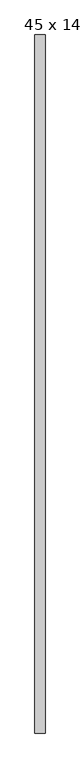
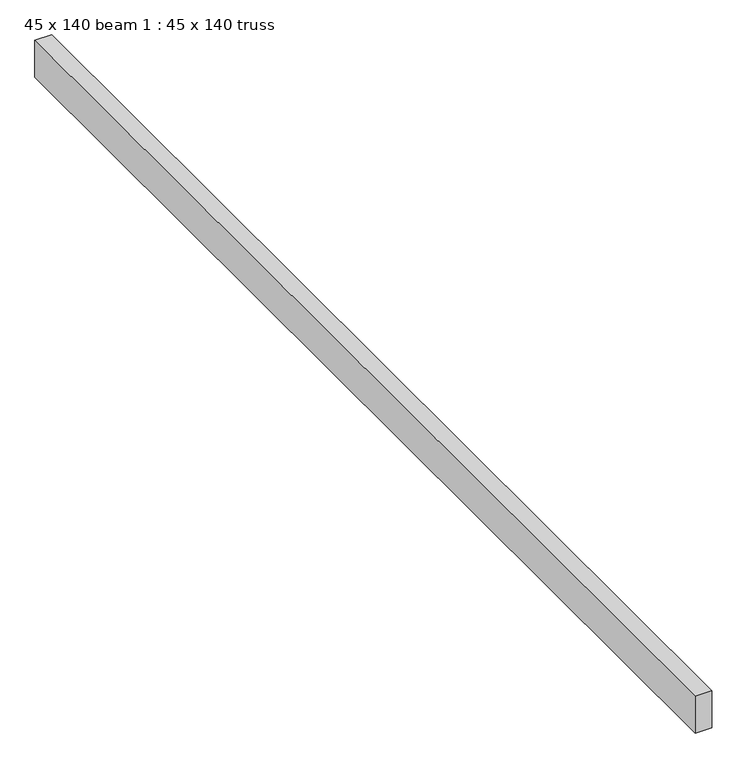
"""IFC4 building model written with IfcOpenShell, lengths in millimetres: proxy geometry, 45 x 140 beam 1 : 45 x 140 truss."""

from ifc_helpers import new_model, si_unit, frame, origin, place, context, project, spatial, polyline, outline, extrude, source, transform, mapped, element, save


def proxy_45_x_140_beam_1_45_x_140_truss_773da076(model_context):
    return source(origin(), model_context, "Body", "SweptSolid", [
        extrude(outline(polyline([(-1185.4274939, -4511.1489417), (-1230.4274939, -4511.1489417), (-1230.4274939, -1421.1489417), (-1185.4274939, -1421.1489417), (-1185.4274939, -4511.1489417)])), frame((0.0, 0.0, 3679.1177703), z_axis=(0.0, 0.0, 1.0), x_axis=(1.0, 0.0, 0.0)), (0.0, 0.0, 1.0), 105.1275103),
    ])


if __name__ == "__main__":
    model = new_model("IFC4")
    model_context = context("Model", 3, world=origin())
    ifc_project = project(units=[si_unit("LENGTHUNIT", "METRE", prefix="MILLI")], contexts=[model_context])
    site = spatial("IfcSite", under=ifc_project)
    building = spatial("IfcBuilding", under=site)
    placement = place(None, origin())
    proxy_45_x_140_beam_1_45_x_140_truss_shape = proxy_45_x_140_beam_1_45_x_140_truss_773da076(model_context)
    element("IfcBuildingElementProxy", 1, Name="45 x 140 beam 1 : 45 x 140 truss", ObjectType="45 x 140 beam 1 : 45 x 140 truss", at=placement, inside=building, context=model_context, shape_type="MappedRepresentation", body=[
        mapped(proxy_45_x_140_beam_1_45_x_140_truss_shape, transform((0.0, 0.0, 0.0), x_axis=(1.0, 0.0, 0.0), y_axis=(0.0, 1.0, 0.0), z_axis=(0.0, 0.0, 1.0))),
    ])
    save(model, "model.ifc")
